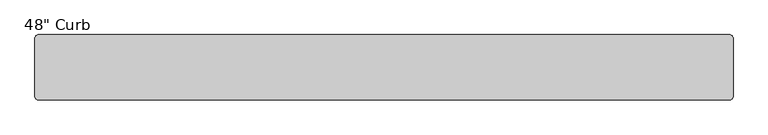
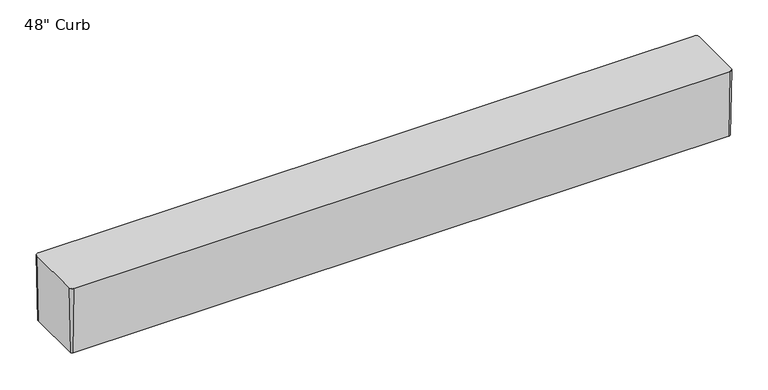
"""IFC4 building model written with IfcOpenShell, lengths in millimetres: proxy geometry."""

from ifc_helpers import new_model, si_unit, frame, origin, place, context, project, spatial, polyline, circle_curve, source, transform, mapped, element, save
from ifc_brep_helpers import plane_surface, revolved_surface, advanced_brep


def proxy_97445883(model_context):
    return source(origin(), model_context, "Body", "AdvancedBrep", [
        advanced_brep(
        [(-603.25, -54.76875, 0.0), (-607.21875, -50.8, 0.0), (-607.21875, 50.8, 0.0), (-603.25, 54.76875, 0.0), (603.25, 54.76875, 0.0), (607.21875, 50.8, 0.0), (607.21875, -50.8, 0.0), (603.25, -54.76875, 0.0), (-354.088642, -31.75, 0.0), (-354.088642, 31.75, 0.0), (-379.488642, 31.75, 0.0), (-379.488642, -31.75, 0.0), (577.773858, -31.75, 0.0), (577.773858, 31.75, 0.0), (552.373858, 31.75, 0.0), (552.373858, -31.75, 0.0), (-603.25, -57.15, 127.0), (603.25, -57.15, 127.0), (609.6, -50.8, 127.0), (609.6, 50.8, 127.0), (603.25, 57.15, 127.0), (-603.25, 57.15, 127.0), (-609.6, 50.8, 127.0), (-609.6, -50.8, 127.0), (-354.088642, -31.75, 63.5), (-354.088642, 31.75, 63.5), (-379.488642, -31.75, 63.5), (-379.488642, 31.75, 63.5), (577.773858, -31.75, 63.5), (577.773858, 31.75, 63.5), (552.373858, -31.75, 63.5), (552.373858, 31.75, 63.5)],
        [
            (0, 1, circle_curve(frame((-603.25, -50.8, 0.0), z_axis=(0.0, 0.0, -1.0), x_axis=(0.0, -1.0, 0.0)), 3.96875)),
            (1, 2),
            (2, 3, circle_curve(frame((-603.25, 50.8, 0.0), z_axis=(0.0, 0.0, -1.0), x_axis=(-1.0, 0.0, 0.0)), 3.96875)),
            (3, 4),
            (4, 5, circle_curve(frame((603.25, 50.8, 0.0), z_axis=(0.0, 0.0, -1.0), x_axis=(0.0, 1.0, 0.0)), 3.96875)),
            (5, 6),
            (6, 7, circle_curve(frame((603.25, -50.8, 0.0), z_axis=(0.0, 0.0, -1.0), x_axis=(1.0, 0.0, 0.0)), 3.96875)),
            (7, 0),
            (8, 9),
            (9, 10),
            (10, 11),
            (11, 8),
            (12, 13),
            (13, 14),
            (14, 15),
            (15, 12),
            (16, 17),
            (17, 18, circle_curve(frame((603.25, -50.8, 127.0), z_axis=(0.0, 0.0, 1.0), x_axis=(1.0, 0.0, 0.0)), 6.35)),
            (18, 19),
            (19, 20, circle_curve(frame((603.25, 50.8, 127.0), z_axis=(0.0, 0.0, 1.0), x_axis=(0.0, 1.0, 0.0)), 6.35)),
            (20, 21),
            (21, 22, circle_curve(frame((-603.25, 50.8, 127.0), z_axis=(0.0, 0.0, 1.0), x_axis=(-1.0, 0.0, 0.0)), 6.35)),
            (22, 23),
            (23, 16, circle_curve(frame((-603.25, -50.8, 127.0), z_axis=(0.0, 0.0, 1.0), x_axis=(0.0, -1.0, 0.0)), 6.35)),
            (7, 17),
            (16, 0),
            (6, 18),
            (5, 19),
            (4, 20),
            (3, 21),
            (2, 22),
            (1, 23),
            (24, 25),
            (25, 9),
            (8, 24),
            (26, 11),
            (10, 27),
            (27, 26),
            (26, 24),
            (25, 27),
            (28, 29),
            (29, 13),
            (12, 28),
            (30, 15),
            (14, 31),
            (31, 30),
            (30, 28),
            (29, 31),
        ],
        [
            plane_surface(frame((0.0, 0.0, 0.0), z_axis=(0.0, 0.0, -1.0), x_axis=(-1.0, 0.0, 0.0))),
            plane_surface(frame((0.0, 0.0, 127.0), z_axis=(0.0, 0.0, 1.0), x_axis=(-1.0, 0.0, 0.0))),
            plane_surface(frame((0.0, -57.15, 127.0), z_axis=(0.0, -0.999824265084996, -0.01874670497041295), x_axis=(-1.0, 0.0, 0.0))),
            revolved_surface(polyline([(607.2187500002344, -50.8, 0.0), (609.6, -50.8, 127.0)]), (603.25, -50.8, -211.6666667), (0.0, 0.0, 1.0)),
            plane_surface(frame((609.6, 0.0, 127.0), z_axis=(0.9998242650849978, 0.0, -0.01874670497031681), x_axis=(0.0, -1.0, 0.0))),
            revolved_surface(polyline([(603.25, 54.76875000023438, 0.0), (603.25, 57.15, 127.0)]), (603.25, 50.8, -211.6666667), (0.0, 0.0, 1.0)),
            plane_surface(frame((0.0, 57.15, 127.0), z_axis=(0.0, 0.9998242650849987, -0.01874670497027193), x_axis=(1.0, 0.0, 0.0))),
            revolved_surface(polyline([(-607.2187500002344, 50.8, 0.0), (-609.6, 50.8, 127.0)]), (-603.25, 50.8, -211.6666667), (0.0, 0.0, 1.0)),
            plane_surface(frame((-609.6, 0.0, 127.0), z_axis=(-0.9998242650849969, 0.0, -0.018746704970364212), x_axis=(0.0, 1.0, 0.0))),
            revolved_surface(polyline([(-603.25, -54.76875000023438, 0.0), (-603.25, -57.15, 127.0)]), (-603.25, -50.8, -211.6666667), (0.0, 0.0, 1.0)),
            plane_surface(frame((-354.088642, -31.75, 63.5), z_axis=(-1.0, 0.0, 0.0), x_axis=(0.0, 0.0, -1.0))),
            plane_surface(frame((-379.488642, -31.75, 63.5), z_axis=(1.0, 0.0, 0.0), x_axis=(0.0, 0.0, 1.0))),
            plane_surface(frame((-354.088642, -31.75, 63.5), z_axis=(0.0, 1.0, 0.0), x_axis=(-1.0, 0.0, 0.0))),
            plane_surface(frame((-354.088642, 31.75, 0.0), z_axis=(0.0, -1.0, 0.0), x_axis=(-1.0, 0.0, 0.0))),
            plane_surface(frame((-354.088642, 31.75, 63.5), z_axis=(0.0, 0.0, -1.0), x_axis=(-1.0, 0.0, 0.0))),
            plane_surface(frame((577.773858, -31.75, 63.5), z_axis=(-1.0, 0.0, 0.0), x_axis=(0.0, 0.0, -1.0))),
            plane_surface(frame((552.373858, -31.75, 63.5), z_axis=(1.0, 0.0, 0.0), x_axis=(0.0, 0.0, 1.0))),
            plane_surface(frame((577.773858, -31.75, 63.5), z_axis=(0.0, 1.0, 0.0), x_axis=(-1.0, 0.0, 0.0))),
            plane_surface(frame((577.773858, 31.75, 0.0), z_axis=(0.0, -1.0, 0.0), x_axis=(-1.0, 0.0, 0.0))),
            plane_surface(frame((577.773858, 31.75, 63.5), z_axis=(0.0, 0.0, -1.0), x_axis=(-1.0, 0.0, 0.0))),
        ],
        [
            (0, [[1, 2, 3, 4, 5, 6, 7, 8], [9, 10, 11, 12], [13, 14, 15, 16]]),
            (1, [[17, 18, 19, 20, 21, 22, 23, 24]]),
            (2, [[-8, 25, -17, 26]]),
            (3, [[-7, 27, -18, -25]]),
            (4, [[-6, 28, -19, -27]]),
            (5, [[-5, 29, -20, -28]]),
            (6, [[-4, 30, -21, -29]]),
            (7, [[-3, 31, -22, -30]]),
            (8, [[-2, 32, -23, -31]]),
            (9, [[-1, -26, -24, -32]]),
            (10, [[33, 34, -9, 35]]),
            (11, [[36, -11, 37, 38]]),
            (12, [[-35, -12, -36, 39]]),
            (13, [[-34, 40, -37, -10]]),
            (14, [[-33, -39, -38, -40]]),
            (15, [[41, 42, -13, 43]]),
            (16, [[44, -15, 45, 46]]),
            (17, [[-43, -16, -44, 47]]),
            (18, [[-42, 48, -45, -14]]),
            (19, [[-41, -47, -46, -48]]),
        ],
    ),
    ])


if __name__ == "__main__":
    model = new_model("IFC4")
    model_context = context("Model", 3, world=origin())
    ifc_project = project(units=[si_unit("LENGTHUNIT", "METRE", prefix="MILLI")], contexts=[model_context])
    site = spatial("IfcSite", under=ifc_project)
    building = spatial("IfcBuilding", under=site)
    placement = place(None, origin())
    proxy_shape = proxy_97445883(model_context)
    element("IfcBuildingElementProxy", 1, Name="48\" Curb", ObjectType="48\" Curb", at=placement, inside=building, context=model_context, shape_type="MappedRepresentation", body=[
        mapped(proxy_shape, transform((0.0, 0.0, 0.0), x_axis=(1.0, 0.0, 0.0), y_axis=(0.0, 1.0, 0.0), z_axis=(0.0, 0.0, 1.0))),
    ])
    save(model, "model.ifc")
